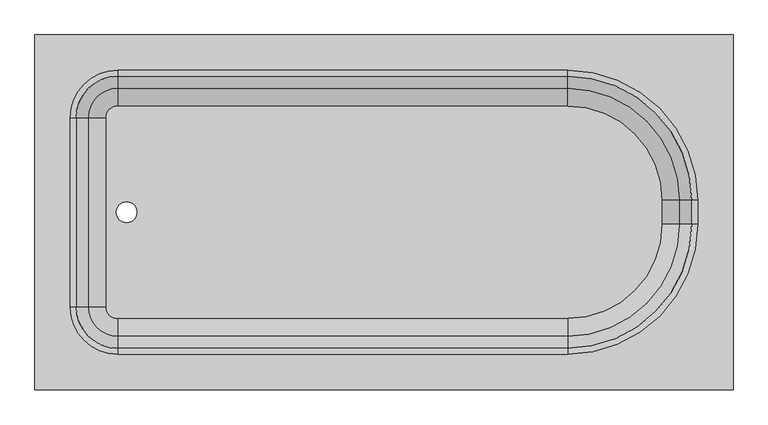
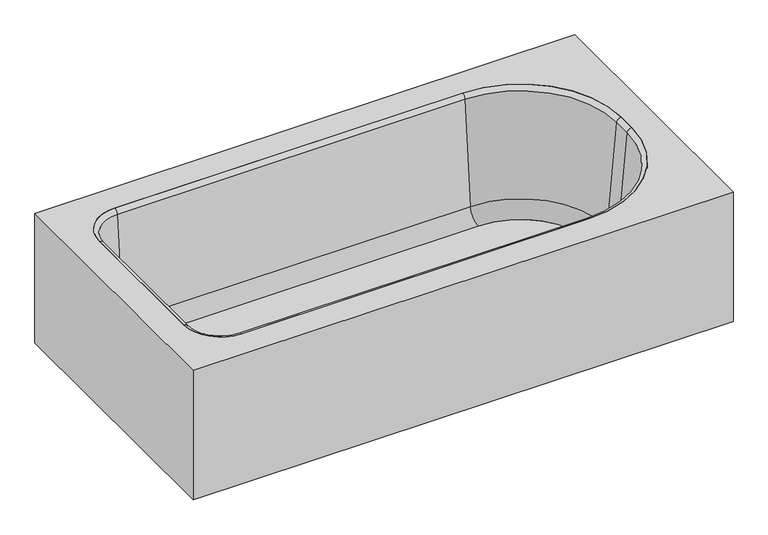
"""IFC4 building model written with IfcOpenShell, lengths in millimetres: flow terminal geometry."""

from ifc_helpers import new_model, si_unit, point, frame, frame_2d, origin, place, context, project, spatial, polyline, circle_curve, ellipse_curve, trimmed, segment, composite_curve, outline, extrude, source, transform, mapped, element, save
from ifc_brep_helpers import plane_surface, cylinder_surface, revolved_surface, advanced_brep


def flow_terminal_33ab4a69(model_context):
    return source(origin(), model_context, "Body", "SolidModel", [
        advanced_brep(
        [(389.3970313, 869.0, 380.0), (-1110.6029687, 869.0, 380.0), (-1110.6029687, 107.0, 380.0), (389.3970313, 107.0, 380.0), (-932.8029687, 792.8, 380.0), (33.7970313, 792.8, 380.0), (313.1970313, 513.4, 380.0), (313.1970313, 462.6, 380.0), (33.7970313, 183.2, 380.0), (-932.8029687, 183.2, 380.0), (-1034.4029687, 284.8, 380.0), (-1034.4029687, 691.2, 380.0), (370.3470313, 849.95, 360.95), (370.3470313, 126.05, 360.95), (-1091.5529687, 126.05, 360.95), (-1091.5529687, 849.95, 360.95), (-932.8029687, 792.8, 360.95), (-1034.4029687, 691.2, 360.95), (-1034.4029687, 284.8, 360.95), (-932.8029687, 183.2, 360.95), (33.7970313, 183.2, 360.95), (313.1970313, 462.6, 360.95), (313.1970313, 513.4, 360.95), (33.7970313, 792.8, 360.95), (389.3970313, 869.0, 0.0), (-1110.6029687, 869.0, 0.0), (-1110.6029687, 107.0, 0.0), (389.3970313, 107.0, 0.0), (370.3470313, 849.95, 0.0), (-1091.5529687, 849.95, 0.0), (-1091.5529687, 126.05, 0.0), (370.3470313, 126.05, 0.0)],
        [
            (0, 1),
            (1, 2),
            (2, 3),
            (3, 0),
            (4, 5),
            (5, 6, circle_curve(frame((33.7970313, 513.4, 380.0), z_axis=(0.0, 0.0, -1.0), x_axis=(0.0, 1.0, 0.0)), 279.4)),
            (6, 7),
            (7, 8, circle_curve(frame((33.7970313, 462.6, 380.0), z_axis=(0.0, 0.0, -1.0), x_axis=(0.0, 1.0, 0.0)), 279.4)),
            (8, 9),
            (9, 10, circle_curve(frame((-932.8029687, 284.8, 380.0), z_axis=(0.0, 0.0, -1.0), x_axis=(0.0, 1.0, 0.0)), 101.6)),
            (10, 11),
            (11, 4, circle_curve(frame((-932.8029687, 691.2, 380.0), z_axis=(0.0, 0.0, -1.0), x_axis=(0.0, 1.0, 0.0)), 101.6)),
            (12, 13),
            (13, 14),
            (14, 15),
            (15, 12),
            (16, 17, circle_curve(frame((-932.8029687, 691.2, 360.95), z_axis=(0.0, 0.0, 1.0), x_axis=(0.0, 1.0, 0.0)), 101.6)),
            (17, 18),
            (18, 19, circle_curve(frame((-932.8029687, 284.8, 360.95), z_axis=(0.0, 0.0, 1.0), x_axis=(0.0, 1.0, 0.0)), 101.6)),
            (19, 20),
            (20, 21, circle_curve(frame((33.7970313, 462.6, 360.95), z_axis=(0.0, 0.0, 1.0), x_axis=(0.0, 1.0, 0.0)), 279.4)),
            (21, 22),
            (22, 23, circle_curve(frame((33.7970313, 513.4, 360.95), z_axis=(0.0, 0.0, 1.0), x_axis=(0.0, 1.0, 0.0)), 279.4)),
            (23, 16),
            (0, 24),
            (24, 25),
            (25, 1),
            (25, 26),
            (26, 2),
            (26, 27),
            (27, 3),
            (27, 24),
            (4, 16),
            (23, 5),
            (22, 6),
            (21, 7),
            (20, 8),
            (19, 9),
            (18, 10),
            (17, 11),
            (28, 29),
            (29, 30),
            (30, 31),
            (31, 28),
            (31, 13),
            (12, 28),
            (30, 14),
            (29, 15),
        ],
        [
            plane_surface(frame((-1110.6029687, 869.0, 380.0), z_axis=(0.0, 0.0, 1.0), x_axis=(-1.0, 0.0, 0.0))),
            plane_surface(frame((-1110.6029687, 869.0, 360.95), z_axis=(0.0, 0.0, -1.0), x_axis=(1.0, 0.0, 0.0))),
            plane_surface(frame((389.3970313, 869.0, 380.0), z_axis=(0.0, 1.0, 0.0), x_axis=(0.0, 0.0, -1.0))),
            plane_surface(frame((-1110.6029687, 869.0, 380.0), z_axis=(-1.0, 0.0, 0.0), x_axis=(0.0, 0.0, -1.0))),
            plane_surface(frame((-1110.6029687, 107.0, 380.0), z_axis=(0.0, -1.0, 0.0), x_axis=(0.0, 0.0, -1.0))),
            plane_surface(frame((389.3970313, 107.0, 380.0), z_axis=(1.0, 0.0, 0.0), x_axis=(0.0, 0.0, -1.0))),
            plane_surface(frame((-932.8029687, 792.8, 380.0), z_axis=(0.0, -1.0, 0.0), x_axis=(0.0, 0.0, -1.0))),
            revolved_surface(polyline([(33.7970313, 792.8, 360.95), (33.7970313, 792.8, 380.0)]), (33.7970313, 513.4, 380.0), (0.0, 0.0, -1.0)),
            plane_surface(frame((313.1970313, 513.4, 380.0), z_axis=(-1.0, 0.0, 0.0), x_axis=(0.0, 0.0, -1.0))),
            revolved_surface(polyline([(33.7970313, 742.0, 360.95), (33.7970313, 742.0, 380.0)]), (33.7970313, 462.6, 380.0), (0.0, 0.0, -1.0)),
            plane_surface(frame((33.7970313, 183.2, 380.0), z_axis=(0.0, 1.0, 0.0), x_axis=(0.0, 0.0, -1.0))),
            revolved_surface(polyline([(-932.8029687, 386.4, 360.95), (-932.8029687, 386.4, 380.0)]), (-932.8029687, 284.8, 380.0), (0.0, 0.0, -1.0)),
            plane_surface(frame((-1034.4029687, 284.8, 380.0), z_axis=(1.0, 0.0, 0.0), x_axis=(0.0, 0.0, -1.0))),
            revolved_surface(polyline([(-932.8029687, 792.8000000000001, 360.95), (-932.8029687, 792.8000000000001, 380.0)]), (-932.8029687, 691.2, 380.0), (0.0, 0.0, -1.0)),
            plane_surface(frame((-1110.6029687, 869.0, 0.0), z_axis=(0.0, 0.0, -1.0), x_axis=(1.0, 0.0, 0.0))),
            plane_surface(frame((370.3470313, 849.95, 360.95), z_axis=(-1.0, 0.0, 0.0), x_axis=(0.0, 0.0, -1.0))),
            plane_surface(frame((370.3470313, 126.05, 360.95), z_axis=(0.0, 1.0, 0.0), x_axis=(0.0, 0.0, -1.0))),
            plane_surface(frame((-1091.5529687, 126.05, 360.95), z_axis=(1.0, 0.0, 0.0), x_axis=(0.0, 0.0, -1.0))),
            plane_surface(frame((-1091.5529687, 849.95, 360.95), z_axis=(0.0, -1.0, 0.0), x_axis=(0.0, 0.0, -1.0))),
        ],
        [
            (0, [[1, 2, 3, 4], [5, 6, 7, 8, 9, 10, 11, 12]]),
            (1, [[13, 14, 15, 16], [17, 18, 19, 20, 21, 22, 23, 24]]),
            (2, [[-1, 25, 26, 27]]),
            (3, [[-2, -27, 28, 29]]),
            (4, [[-3, -29, 30, 31]]),
            (5, [[-25, -4, -31, 32]]),
            (6, [[-5, 33, -24, 34]]),
            (7, [[-6, -34, -23, 35]]),
            (8, [[-7, -35, -22, 36]]),
            (9, [[-8, -36, -21, 37]]),
            (10, [[-9, -37, -20, 38]]),
            (11, [[-10, -38, -19, 39]]),
            (12, [[-11, -39, -18, 40]]),
            (13, [[-12, -40, -17, -33]]),
            (14, [[-32, -30, -28, -26], [41, 42, 43, 44]]),
            (15, [[-44, 45, -13, 46]]),
            (16, [[-43, 47, -14, -45]]),
            (17, [[-42, 48, -15, -47]]),
            (18, [[-41, -46, -16, -48]]),
        ],
    ),
        extrude(outline(composite_curve([segment(trimmed(circle_curve(frame_2d((33.7970313, 513.4)), 202.7964741), [point((33.7970313, 716.1964741))], [point((236.5935054, 513.4))], False, "CARTESIAN"), True, "CONTINUOUS"), segment(polyline([(236.5935054, 513.4), (236.5935054, 462.6)]), True, "CONTINUOUS"), segment(trimmed(circle_curve(frame_2d((33.7970313, 462.6)), 202.7964741), [point((236.5935054, 462.6))], [point((33.7970313, 259.8035259))], False, "CARTESIAN"), True, "CONTINUOUS"), segment(polyline([(33.7970313, 259.8035259), (-932.8029687, 259.8035259)]), True, "CONTINUOUS"), segment(trimmed(circle_curve(frame_2d((-932.8029687, 284.8)), 24.9964741), [point((-932.8029687, 259.8035259))], [point((-957.7994428, 284.8))], False, "CARTESIAN"), True, "CONTINUOUS"), segment(polyline([(-957.7994428, 284.8), (-957.7994428, 691.2)]), True, "CONTINUOUS"), segment(trimmed(circle_curve(frame_2d((-932.8029687, 691.2)), 24.9964741), [point((-957.7994428, 691.2))], [point((-932.8029687, 716.1964741))], False, "CARTESIAN"), True, "CONTINUOUS"), segment(polyline([(-932.8029687, 716.1964741), (33.7970313, 716.1964741)]), True, "CONTINUOUS")], self_intersect=False), holes=[composite_curve([segment(trimmed(circle_curve(frame_2d((-913.5971625, 488.0)), 22.225), [point((-913.5971625, 510.225))], [point((-913.5971625, 465.775))], True, "CARTESIAN"), True, "CONTINUOUS"), segment(trimmed(circle_curve(frame_2d((-913.5971625, 488.0)), 22.225), [point((-913.5971625, 465.775))], [point((-913.5971625, 510.225))], True, "CARTESIAN"), True, "CONTINUOUS")], self_intersect=False)]), frame((0.0, 0.0, 15.863573), z_axis=(0.0, 0.0, 1.0), x_axis=(1.0, 0.0, 0.0)), (0.0, 0.0, 1.0), 19.05),
        advanced_brep(
        [(-995.7544608, 691.2, 69.6929392), (-932.8029687, 754.1514921, 69.6929392), (-932.8029687, 780.3220035, 368.8232535), (-1021.9249722, 691.2, 368.8232535), (-957.7994428, 691.2, 34.913573), (-932.8029687, 716.1964741, 34.913573), (-957.7994428, 691.2, 15.863573), (-932.8029687, 716.1964741, 15.863573), (-1034.4029687, 691.2, 15.863573), (-932.8029687, 792.8, 15.863573), (-1034.4029687, 691.2, 380.0), (-932.8029687, 792.8, 380.0), (-1021.9249722, 284.8, 368.8232535), (-995.7544608, 284.8, 69.6929392), (-957.7994428, 284.8, 34.913573), (-957.7994428, 284.8, 15.863573), (-1034.4029687, 284.8, 15.863573), (-1034.4029687, 284.8, 380.0), (-932.8029687, 221.8485079, 69.6929392), (-932.8029687, 195.6779965, 368.8232535), (-932.8029687, 259.8035259, 34.913573), (-932.8029687, 259.8035259, 15.863573), (-932.8029687, 183.2, 15.863573), (-932.8029687, 183.2, 380.0), (33.7970313, 195.6779965, 368.8232535), (33.7970313, 221.8485079, 69.6929392), (33.7970313, 259.8035259, 34.913573), (33.7970313, 259.8035259, 15.863573), (33.7970313, 183.2, 15.863573), (33.7970313, 183.2, 380.0), (274.5485234, 462.6, 69.6929392), (300.7190348, 462.6, 368.8232535), (236.5935054, 462.6, 34.913573), (236.5935054, 462.6, 15.863573), (313.1970313, 462.6, 15.863573), (313.1970313, 462.6, 380.0), (300.7190348, 513.4, 368.8232535), (274.5485234, 513.4, 69.6929392), (236.5935054, 513.4, 34.913573), (236.5935054, 513.4, 15.863573), (313.1970313, 513.4, 15.863573), (313.1970313, 513.4, 380.0), (33.7970313, 754.1514921, 69.6929392), (33.7970313, 780.3220035, 368.8232535), (33.7970313, 716.1964741, 34.913573), (33.7970313, 716.1964741, 15.863573), (33.7970313, 792.8, 15.863573), (33.7970313, 792.8, 380.0)],
        [
            (0, 1, circle_curve(frame((-932.8029687, 691.2, 69.6929392), z_axis=(0.0, 0.0, -1.0), x_axis=(0.0, 1.0, 0.0)), 62.9514921)),
            (1, 2),
            (2, 3, circle_curve(frame((-932.8029687, 691.2, 368.8232535), z_axis=(0.0, 0.0, 1.0), x_axis=(0.0, 1.0, 0.0)), 89.1220035)),
            (3, 0),
            (4, 5, circle_curve(frame((-932.8029687, 691.2, 34.913573), z_axis=(0.0, 0.0, -1.0), x_axis=(0.0, 1.0, 0.0)), 24.9964741)),
            (5, 1, circle_curve(frame((-932.8029687, 716.1964741, 73.013573), z_axis=(1.0, 0.0, 0.0), x_axis=(0.0, -1.0, 0.0)), 38.1)),
            (0, 4, circle_curve(frame((-957.7994428, 691.2, 73.013573), z_axis=(0.0, -1.0, 0.0), x_axis=(1.0, 0.0, 0.0)), 38.1)),
            (6, 7, circle_curve(frame((-932.8029687, 691.2, 15.863573), z_axis=(0.0, 0.0, -1.0), x_axis=(0.0, 1.0, 0.0)), 24.9964741)),
            (7, 5),
            (4, 6),
            (8, 9, circle_curve(frame((-932.8029687, 691.2, 15.863573), z_axis=(0.0, 0.0, -1.0), x_axis=(0.0, 1.0, 0.0)), 101.6)),
            (9, 7),
            (6, 8),
            (10, 11, circle_curve(frame((-932.8029687, 691.2, 380.0), z_axis=(0.0, 0.0, -1.0), x_axis=(0.0, 1.0, 0.0)), 101.6)),
            (11, 9),
            (8, 10),
            (2, 11, circle_curve(frame((-932.8029687, 792.8, 367.4462547), z_axis=(-1.0, 0.0, 0.0), x_axis=(0.0, -1.0, 0.0)), 12.5537453)),
            (10, 3, circle_curve(frame((-1034.4029687, 691.2, 367.4462547), z_axis=(0.0, 1.0, 0.0), x_axis=(1.0, 0.0, 0.0)), 12.5537453)),
            (3, 12),
            (12, 13),
            (13, 0),
            (13, 14, circle_curve(frame((-957.7994428, 284.8, 73.013573), z_axis=(0.0, -1.0, 0.0), x_axis=(1.0, 0.0, 0.0)), 38.1)),
            (14, 4),
            (14, 15),
            (15, 6),
            (15, 16),
            (16, 8),
            (16, 17),
            (17, 10),
            (17, 12, circle_curve(frame((-1034.4029687, 284.8, 367.4462547), z_axis=(0.0, 1.0, 0.0), x_axis=(1.0, 0.0, 0.0)), 12.5537453)),
            (18, 13, circle_curve(frame((-932.8029687, 284.8, 69.6929392), z_axis=(0.0, 0.0, -1.0), x_axis=(-1.0, 0.0, 0.0)), 62.9514921)),
            (12, 19, circle_curve(frame((-932.8029687, 284.8, 368.8232535), z_axis=(0.0, 0.0, 1.0), x_axis=(-1.0, 0.0, 0.0)), 89.1220035)),
            (19, 18),
            (20, 14, circle_curve(frame((-932.8029687, 284.8, 34.913573), z_axis=(0.0, 0.0, -1.0), x_axis=(-1.0, 0.0, 0.0)), 24.9964741)),
            (18, 20, circle_curve(frame((-932.8029687, 259.8035259, 73.013573), z_axis=(1.0, 0.0, 0.0), x_axis=(0.0, 1.0, 0.0)), 38.1)),
            (21, 15, circle_curve(frame((-932.8029687, 284.8, 15.863573), z_axis=(0.0, 0.0, -1.0), x_axis=(-1.0, 0.0, 0.0)), 24.9964741)),
            (20, 21),
            (22, 16, circle_curve(frame((-932.8029687, 284.8, 15.863573), z_axis=(0.0, 0.0, -1.0), x_axis=(-1.0, 0.0, 0.0)), 101.6)),
            (21, 22),
            (23, 17, circle_curve(frame((-932.8029687, 284.8, 380.0), z_axis=(0.0, 0.0, -1.0), x_axis=(-1.0, 0.0, 0.0)), 101.6)),
            (22, 23),
            (23, 19, circle_curve(frame((-932.8029687, 183.2, 367.4462547), z_axis=(-1.0, 0.0, 0.0), x_axis=(0.0, 1.0, 0.0)), 12.5537453)),
            (19, 24),
            (24, 25),
            (25, 18),
            (25, 26, circle_curve(frame((33.7970313, 259.8035259, 73.013573), z_axis=(1.0, 0.0, 0.0), x_axis=(0.0, 1.0, 0.0)), 38.1)),
            (26, 20),
            (26, 27),
            (27, 21),
            (27, 28),
            (28, 22),
            (28, 29),
            (29, 23),
            (29, 24, circle_curve(frame((33.7970313, 183.2, 367.4462547), z_axis=(-1.0, 0.0, 0.0), x_axis=(0.0, 1.0, 0.0)), 12.5537453)),
            (30, 25, circle_curve(frame((33.7970313, 462.6, 69.6929392), z_axis=(0.0, 0.0, -1.0), x_axis=(0.0, -1.0, 0.0)), 240.7514921)),
            (24, 31, circle_curve(frame((33.7970313, 462.6, 368.8232535), z_axis=(0.0, 0.0, 1.0), x_axis=(0.0, -1.0, 0.0)), 266.9220035)),
            (31, 30),
            (32, 26, circle_curve(frame((33.7970313, 462.6, 34.913573), z_axis=(0.0, 0.0, -1.0), x_axis=(0.0, -1.0, 0.0)), 202.7964741)),
            (30, 32, circle_curve(frame((236.5935054, 462.6, 73.013573), z_axis=(0.0, 1.0, 0.0), x_axis=(-1.0, 0.0, 0.0)), 38.1)),
            (33, 27, circle_curve(frame((33.7970313, 462.6, 15.863573), z_axis=(0.0, 0.0, -1.0), x_axis=(0.0, -1.0, 0.0)), 202.7964741)),
            (32, 33),
            (34, 28, circle_curve(frame((33.7970313, 462.6, 15.863573), z_axis=(0.0, 0.0, -1.0), x_axis=(0.0, -1.0, 0.0)), 279.4)),
            (33, 34),
            (35, 29, circle_curve(frame((33.7970313, 462.6, 380.0), z_axis=(0.0, 0.0, -1.0), x_axis=(0.0, -1.0, 0.0)), 279.4)),
            (34, 35),
            (35, 31, circle_curve(frame((313.1970313, 462.6, 367.4462547), z_axis=(0.0, -1.0, 0.0), x_axis=(-1.0, 0.0, 0.0)), 12.5537453)),
            (31, 36),
            (36, 37),
            (37, 30),
            (37, 38, circle_curve(frame((236.5935054, 513.4, 73.013573), z_axis=(0.0, 1.0, 0.0), x_axis=(-1.0, 0.0, 0.0)), 38.1)),
            (38, 32),
            (38, 39),
            (39, 33),
            (39, 40),
            (40, 34),
            (40, 41),
            (41, 35),
            (41, 36, circle_curve(frame((313.1970313, 513.4, 367.4462547), z_axis=(0.0, -1.0, 0.0), x_axis=(-1.0, 0.0, 0.0)), 12.5537453)),
            (42, 37, circle_curve(frame((33.7970313, 513.4, 69.6929392), z_axis=(0.0, 0.0, -1.0), x_axis=(1.0, 0.0, 0.0)), 240.7514921)),
            (36, 43, circle_curve(frame((33.7970313, 513.4, 368.8232535), z_axis=(0.0, 0.0, 1.0), x_axis=(1.0, 0.0, 0.0)), 266.9220035)),
            (43, 42),
            (44, 38, circle_curve(frame((33.7970313, 513.4, 34.913573), z_axis=(0.0, 0.0, -1.0), x_axis=(1.0, 0.0, 0.0)), 202.7964741)),
            (42, 44, circle_curve(frame((33.7970313, 716.1964741, 73.013573), z_axis=(-1.0, 0.0, 0.0), x_axis=(0.0, -1.0, 0.0)), 38.1)),
            (45, 39, circle_curve(frame((33.7970313, 513.4, 15.863573), z_axis=(0.0, 0.0, -1.0), x_axis=(1.0, 0.0, 0.0)), 202.7964741)),
            (44, 45),
            (46, 40, circle_curve(frame((33.7970313, 513.4, 15.863573), z_axis=(0.0, 0.0, -1.0), x_axis=(1.0, 0.0, 0.0)), 279.4)),
            (45, 46),
            (47, 41, circle_curve(frame((33.7970313, 513.4, 380.0), z_axis=(0.0, 0.0, -1.0), x_axis=(1.0, 0.0, 0.0)), 279.4)),
            (46, 47),
            (47, 43, circle_curve(frame((33.7970313, 792.8, 367.4462547), z_axis=(1.0, 0.0, 0.0), x_axis=(0.0, -1.0, 0.0)), 12.5537453)),
            (43, 2),
            (1, 42),
            (5, 44),
            (7, 45),
            (9, 46),
            (11, 47),
        ],
        [
            revolved_surface(polyline([(-932.8029687, 780.3220035, 368.8232535), (-932.8029687, 754.1514921, 69.6929392)]), (-932.8029687, 691.2, 380.0), (0.0, 0.0, 1.0)),
            revolved_surface(trimmed(ellipse_curve(frame((-932.8029687, 716.1964741, 73.013573), z_axis=(-1.0, 0.0, 0.0), x_axis=(0.0, -1.0, 0.0)), 38.1, 38.1), [point((-932.8029687, 754.1514921, 69.6929392))], [point((-932.8029687, 716.1964741, 34.913573))], True, "CARTESIAN"), (-932.8029687, 691.2, 380.0), (0.0, 0.0, 1.0)),
            revolved_surface(polyline([(-932.8029687, 716.1964741, 34.913572999999985), (-932.8029687, 716.1964741, 15.863572999999974)]), (-932.8029687, 691.2, 380.0), (0.0, 0.0, 1.0)),
            plane_surface(frame((-932.8029687, 691.2, 15.863573), z_axis=(0.0, 0.0, -1.0), x_axis=(0.0, 1.0, 0.0))),
            cylinder_surface(frame((-932.8029687, 691.2, 380.0), z_axis=(0.0, 0.0, 1.0), x_axis=(0.0, 1.0, 0.0)), 101.6),
            revolved_surface(trimmed(ellipse_curve(frame((-932.8029687, 792.8, 367.4462547), z_axis=(1.0, 0.0, 0.0), x_axis=(0.0, -1.0, 0.0)), 12.5537453, 12.5537453), [point((-932.8029687, 792.8, 380.0))], [point((-932.8029687, 780.3220035, 368.8232535))], True, "CARTESIAN"), (-932.8029687, 691.2, 380.0), (0.0, 0.0, 1.0)),
            plane_surface(frame((-1021.9249722, 691.2, 368.8232535), z_axis=(0.9961946980917458, 0.0, 0.08715574274765599), x_axis=(0.0, -1.0, 0.0))),
            revolved_surface(polyline([(-919.6994427999999, 284.8, 73.013573), (-919.6994427999999, 691.2, 73.013573)]), (-957.7994428, 691.2, 73.013573), (0.0, -1.0, 0.0)),
            plane_surface(frame((-957.7994428, 691.2, 34.913573), z_axis=(1.0, 0.0, 0.0), x_axis=(0.0, -1.0, 0.0))),
            plane_surface(frame((-957.7994428, 691.2, 15.863573), z_axis=(0.0, 0.0, -1.0), x_axis=(0.0, -1.0, 0.0))),
            plane_surface(frame((-1034.4029687, 691.2, 15.863573), z_axis=(-1.0, 0.0, 0.0), x_axis=(0.0, -1.0, 0.0))),
            cylinder_surface(frame((-1034.4029687, 691.2, 367.4462547), z_axis=(0.0, 1.0, 0.0), x_axis=(1.0, 0.0, 0.0)), 12.5537453),
            revolved_surface(polyline([(-1021.9249722, 284.8, 368.8232535), (-995.7544608, 284.8, 69.6929392)]), (-932.8029687, 284.8, 380.0), (0.0, 0.0, 1.0)),
            revolved_surface(trimmed(ellipse_curve(frame((-957.7994428, 284.8, 73.013573), z_axis=(0.0, -1.0, 0.0), x_axis=(1.0, 0.0, 0.0)), 38.1, 38.1), [point((-995.7544608, 284.8, 69.6929392))], [point((-957.7994428, 284.8, 34.913573))], True, "CARTESIAN"), (-932.8029687, 284.8, 380.0), (0.0, 0.0, 1.0)),
            revolved_surface(polyline([(-957.7994428, 284.8, 34.913572999999985), (-957.7994428, 284.8, 15.863572999999974)]), (-932.8029687, 284.8, 380.0), (0.0, 0.0, 1.0)),
            plane_surface(frame((-932.8029687, 284.8, 15.863573), z_axis=(0.0, 0.0, -1.0), x_axis=(-1.0, 0.0, 0.0))),
            cylinder_surface(frame((-932.8029687, 284.8, 380.0), z_axis=(0.0, 0.0, 1.0), x_axis=(-1.0, 0.0, 0.0)), 101.6),
            revolved_surface(trimmed(ellipse_curve(frame((-1034.4029687, 284.8, 367.4462547), z_axis=(0.0, 1.0, 0.0), x_axis=(1.0, 0.0, 0.0)), 12.5537453, 12.5537453), [point((-1034.4029687, 284.8, 380.0))], [point((-1021.9249722, 284.8, 368.8232535))], True, "CARTESIAN"), (-932.8029687, 284.8, 380.0), (0.0, 0.0, 1.0)),
            plane_surface(frame((-932.8029687, 195.6779965, 368.8232535), z_axis=(0.0, 0.9961946980917461, 0.08715574274765275), x_axis=(1.0, 0.0, 0.0))),
            revolved_surface(polyline([(33.79703129999996, 297.90352590000003, 73.013573), (-932.8029687, 297.90352590000003, 73.013573)]), (-932.8029687, 259.8035259, 73.013573), (1.0, 0.0, 0.0)),
            plane_surface(frame((-932.8029687, 259.8035259, 34.913573), z_axis=(0.0, 1.0, 0.0), x_axis=(1.0, 0.0, 0.0))),
            plane_surface(frame((-932.8029687, 259.8035259, 15.863573), z_axis=(0.0, 0.0, -1.0), x_axis=(1.0, 0.0, 0.0))),
            plane_surface(frame((-932.8029687, 183.2, 15.863573), z_axis=(0.0, -1.0, 0.0), x_axis=(1.0, 0.0, 0.0))),
            cylinder_surface(frame((-932.8029687, 183.2, 367.4462547), z_axis=(-1.0, 0.0, 0.0), x_axis=(0.0, 1.0, 0.0)), 12.5537453),
            revolved_surface(polyline([(33.7970313, 195.6779965, 368.8232535), (33.7970313, 221.8485079, 69.6929392)]), (33.7970313, 462.6, 380.0), (0.0, 0.0, 1.0)),
            revolved_surface(trimmed(ellipse_curve(frame((33.7970313, 259.8035259, 73.013573), z_axis=(1.0, 0.0, 0.0), x_axis=(0.0, 1.0, 0.0)), 38.1, 38.1), [point((33.7970313, 221.8485079, 69.6929392))], [point((33.7970313, 259.8035259, 34.913573))], True, "CARTESIAN"), (33.7970313, 462.6, 380.0), (0.0, 0.0, 1.0)),
            revolved_surface(polyline([(33.7970313, 259.8035259, 34.913572999999985), (33.7970313, 259.8035259, 15.863572999999974)]), (33.7970313, 462.6, 380.0), (0.0, 0.0, 1.0)),
            plane_surface(frame((33.7970313, 462.6, 15.863573), z_axis=(0.0, 0.0, -1.0), x_axis=(0.0, -1.0, 0.0))),
            cylinder_surface(frame((33.7970313, 462.6, 380.0), z_axis=(0.0, 0.0, 1.0), x_axis=(0.0, -1.0, 0.0)), 279.4),
            revolved_surface(trimmed(ellipse_curve(frame((33.7970313, 183.2, 367.4462547), z_axis=(-1.0, 0.0, 0.0), x_axis=(0.0, 1.0, 0.0)), 12.5537453, 12.5537453), [point((33.7970313, 183.2, 380.0))], [point((33.7970313, 195.6779965, 368.8232535))], True, "CARTESIAN"), (33.7970313, 462.6, 380.0), (0.0, 0.0, 1.0)),
            plane_surface(frame((300.7190348, 462.6, 368.8232535), z_axis=(-0.9961946980917464, 0.0, 0.08715574274764952), x_axis=(0.0, 1.0, 0.0))),
            revolved_surface(polyline([(198.4935054, 513.4, 73.013573), (198.4935054, 462.6, 73.013573)]), (236.5935054, 462.6, 73.013573), (0.0, 1.0, 0.0)),
            plane_surface(frame((236.5935054, 462.6, 34.913573), z_axis=(-1.0, 0.0, 0.0), x_axis=(0.0, 1.0, 0.0))),
            plane_surface(frame((236.5935054, 462.6, 15.863573), z_axis=(0.0, 0.0, -1.0), x_axis=(0.0, 1.0, 0.0))),
            plane_surface(frame((313.1970313, 462.6, 15.863573), z_axis=(1.0, 0.0, 0.0), x_axis=(0.0, 1.0, 0.0))),
            cylinder_surface(frame((313.1970313, 462.6, 367.4462547), z_axis=(0.0, -1.0, 0.0), x_axis=(-1.0, 0.0, 0.0)), 12.5537453),
            revolved_surface(polyline([(300.7190348, 513.4, 368.8232535), (274.5485234, 513.4, 69.6929392)]), (33.7970313, 513.4, 380.0), (0.0, 0.0, 1.0)),
            revolved_surface(trimmed(ellipse_curve(frame((236.5935054, 513.4, 73.013573), z_axis=(0.0, 1.0, 0.0), x_axis=(-1.0, 0.0, 0.0)), 38.1, 38.1), [point((274.5485234, 513.4, 69.6929392))], [point((236.5935054, 513.4, 34.913573))], True, "CARTESIAN"), (33.7970313, 513.4, 380.0), (0.0, 0.0, 1.0)),
            revolved_surface(polyline([(236.59350540000003, 513.4, 34.913572999999985), (236.59350540000003, 513.4, 15.863572999999974)]), (33.7970313, 513.4, 380.0), (0.0, 0.0, 1.0)),
            plane_surface(frame((33.7970313, 513.4, 15.863573), z_axis=(0.0, 0.0, -1.0), x_axis=(1.0, 0.0, 0.0))),
            cylinder_surface(frame((33.7970313, 513.4, 380.0), z_axis=(0.0, 0.0, 1.0), x_axis=(1.0, 0.0, 0.0)), 279.4),
            revolved_surface(trimmed(ellipse_curve(frame((313.1970313, 513.4, 367.4462547), z_axis=(0.0, -1.0, 0.0), x_axis=(-1.0, 0.0, 0.0)), 12.5537453, 12.5537453), [point((313.1970313, 513.4, 380.0))], [point((300.7190348, 513.4, 368.8232535))], True, "CARTESIAN"), (33.7970313, 513.4, 380.0), (0.0, 0.0, 1.0)),
            plane_surface(frame((33.7970313, 780.3220035, 368.8232535), z_axis=(0.0, -0.9961946980917461, 0.08715574274765275), x_axis=(-1.0, 0.0, 0.0))),
            revolved_surface(polyline([(-932.8029687, 678.0964741, 73.013573), (33.7970313, 678.0964741, 73.013573)]), (33.7970313, 716.1964741, 73.013573), (-1.0, 0.0, 0.0)),
            plane_surface(frame((33.7970313, 716.1964741, 34.913573), z_axis=(0.0, -1.0, 0.0), x_axis=(-1.0, 0.0, 0.0))),
            plane_surface(frame((33.7970313, 716.1964741, 15.863573), z_axis=(0.0, 0.0, -1.0), x_axis=(-1.0, 0.0, 0.0))),
            plane_surface(frame((33.7970313, 792.8, 15.863573), z_axis=(0.0, 1.0, 0.0), x_axis=(-1.0, 0.0, 0.0))),
            cylinder_surface(frame((33.7970313, 792.8, 367.4462547), z_axis=(1.0, 0.0, 0.0), x_axis=(0.0, -1.0, 0.0)), 12.5537453),
        ],
        [
            (0, [[1, 2, 3, 4]]),
            (1, [[5, 6, -1, 7]]),
            (2, [[8, 9, -5, 10]]),
            (3, [[11, 12, -8, 13]]),
            (4, [[14, 15, -11, 16]]),
            (5, [[-3, 17, -14, 18]]),
            (6, [[-4, 19, 20, 21]]),
            (7, [[-7, -21, 22, 23]]),
            (8, [[-10, -23, 24, 25]]),
            (9, [[-13, -25, 26, 27]]),
            (10, [[-16, -27, 28, 29]]),
            (11, [[-18, -29, 30, -19]]),
            (12, [[31, -20, 32, 33]]),
            (13, [[34, -22, -31, 35]]),
            (14, [[36, -24, -34, 37]]),
            (15, [[38, -26, -36, 39]]),
            (16, [[40, -28, -38, 41]]),
            (17, [[-32, -30, -40, 42]]),
            (18, [[-33, 43, 44, 45]]),
            (19, [[-35, -45, 46, 47]]),
            (20, [[-37, -47, 48, 49]]),
            (21, [[-39, -49, 50, 51]]),
            (22, [[-41, -51, 52, 53]]),
            (23, [[-42, -53, 54, -43]]),
            (24, [[55, -44, 56, 57]]),
            (25, [[58, -46, -55, 59]]),
            (26, [[60, -48, -58, 61]]),
            (27, [[62, -50, -60, 63]]),
            (28, [[64, -52, -62, 65]]),
            (29, [[-56, -54, -64, 66]]),
            (30, [[-57, 67, 68, 69]]),
            (31, [[-59, -69, 70, 71]]),
            (32, [[-61, -71, 72, 73]]),
            (33, [[-63, -73, 74, 75]]),
            (34, [[-65, -75, 76, 77]]),
            (35, [[-66, -77, 78, -67]]),
            (36, [[79, -68, 80, 81]]),
            (37, [[82, -70, -79, 83]]),
            (38, [[84, -72, -82, 85]]),
            (39, [[86, -74, -84, 87]]),
            (40, [[88, -76, -86, 89]]),
            (41, [[-80, -78, -88, 90]]),
            (42, [[-81, 91, -2, 92]]),
            (43, [[-83, -92, -6, 93]]),
            (44, [[-85, -93, -9, 94]]),
            (45, [[-87, -94, -12, 95]]),
            (46, [[-89, -95, -15, 96]]),
            (47, [[-90, -96, -17, -91]]),
        ],
    ),
    ])


if __name__ == "__main__":
    model = new_model("IFC4")
    model_context = context("Model", 3, world=origin())
    ifc_project = project(units=[si_unit("LENGTHUNIT", "METRE", prefix="MILLI")], contexts=[model_context])
    site = spatial("IfcSite", under=ifc_project)
    building = spatial("IfcBuilding", under=site)
    placement = place(None, origin())
    flow_terminal_shape = flow_terminal_33ab4a69(model_context)
    element("IfcFlowTerminal", 1, at=placement, inside=building, context=model_context, shape_type="MappedRepresentation", body=[
        mapped(flow_terminal_shape, transform((0.0, 0.0, 0.0), x_axis=(1.0, 0.0, 0.0), y_axis=(0.0, 1.0, 0.0), z_axis=(0.0, 0.0, 1.0))),
    ])
    save(model, "model.ifc")
